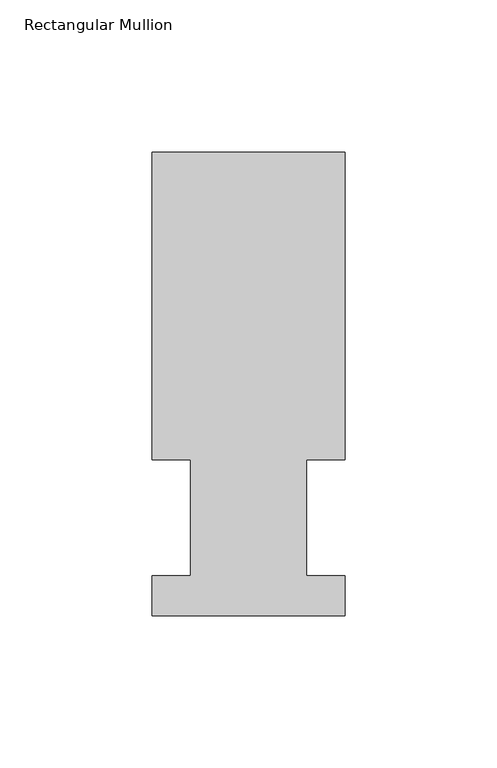
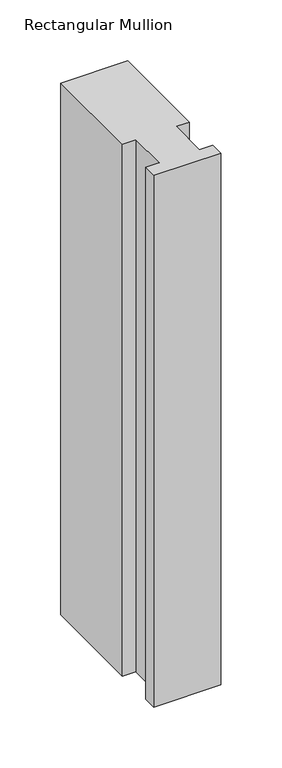
"""IFC4 building model written with IfcOpenShell, lengths in millimetres: member geometry, Rectangular Mullion."""

from ifc_helpers import new_model, si_unit, frame, origin, place, context, project, spatial, polyline, outline, extrude, source, transform, mapped, element, save


def rectangular_mullion_af5d621a(model_context):
    return source(origin(), model_context, "Body", "SweptSolid", [
        extrude(outline(polyline([(-63.5, 152.4896937), (0.0127, 152.4896937), (0.0127, 51.2960937), (-12.6873, 51.2960937), (-12.6873, 13.1960937), (0.0, 13.1960937), (0.0, 0.0134937), (-63.5, 0.0134937), (-63.5, 13.1960937), (-50.8000001, 13.1960937), (-50.8000001, 51.2960937), (-63.5, 51.2960937), (-63.5, 152.4896937)])), frame((0.0, 0.0, -533.349167), z_axis=(0.0, 0.0, 1.0), x_axis=(1.0, 0.0, 0.0)), (0.0, 0.0, 1.0), 533.349167),
    ])


if __name__ == "__main__":
    model = new_model("IFC4")
    model_context = context("Model", 3, world=origin())
    ifc_project = project(units=[si_unit("LENGTHUNIT", "METRE", prefix="MILLI")], contexts=[model_context])
    site = spatial("IfcSite", under=ifc_project)
    building = spatial("IfcBuilding", under=site)
    placement = place(None, origin())
    rectangular_mullion_shape = rectangular_mullion_af5d621a(model_context)
    element("IfcMember", 1, ObjectType="Rectangular Mullion", at=placement, inside=building, context=model_context, shape_type="MappedRepresentation", body=[
        mapped(rectangular_mullion_shape, transform((0.0, 0.0, 0.0), x_axis=(1.0, 0.0, 0.0), y_axis=(0.0, 1.0, 0.0), z_axis=(0.0, 0.0, 1.0))),
    ])
    save(model, "model.ifc")
